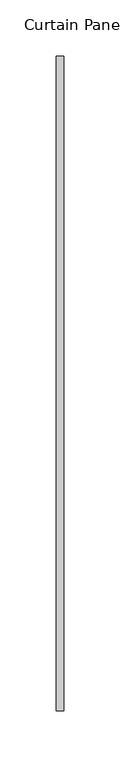
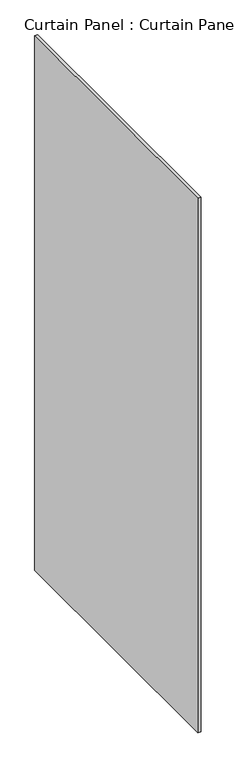
"""IFC4 building model written with IfcOpenShell, lengths in millimetres: plate geometry, Curtain Panel : Curtain Panel."""

from ifc_helpers import new_model, si_unit, frame, origin, place, context, project, spatial, polyline, outline, extrude, source, transform, mapped, element, save


def curtain_panel_curtain_panel_82f61ce5(model_context):
    return source(origin(), model_context, "Body", "SweptSolid", [
        extrude(outline(polyline([(-34596.2104182, 5605.2633236), (-34596.2104182, 5024.2807268), (-34602.5604182, 5024.2807268), (-34602.5604182, 5605.2633236), (-34596.2104182, 5605.2633236)])), frame((0.0, 0.0, 2454.2651734), z_axis=(0.0, 0.0, 1.0), x_axis=(1.0, 0.0, 0.0)), (0.0, 0.0, 1.0), 1162.0598266),
    ])


if __name__ == "__main__":
    model = new_model("IFC4")
    model_context = context("Model", 3, world=origin())
    ifc_project = project(units=[si_unit("LENGTHUNIT", "METRE", prefix="MILLI")], contexts=[model_context])
    site = spatial("IfcSite", under=ifc_project)
    building = spatial("IfcBuilding", under=site)
    placement = place(None, origin())
    curtain_panel_curtain_panel_shape = curtain_panel_curtain_panel_82f61ce5(model_context)
    element("IfcPlate", 1, ObjectType="Curtain Panel : Curtain Panel", at=placement, inside=building, context=model_context, shape_type="MappedRepresentation", body=[
        mapped(curtain_panel_curtain_panel_shape, transform((0.0, 0.0, 0.0), x_axis=(1.0, 0.0, 0.0), y_axis=(0.0, 1.0, 0.0), z_axis=(0.0, 0.0, 1.0))),
    ])
    save(model, "model.ifc")
